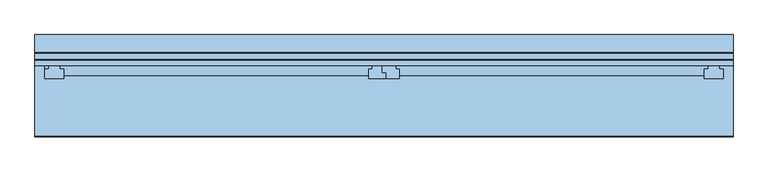
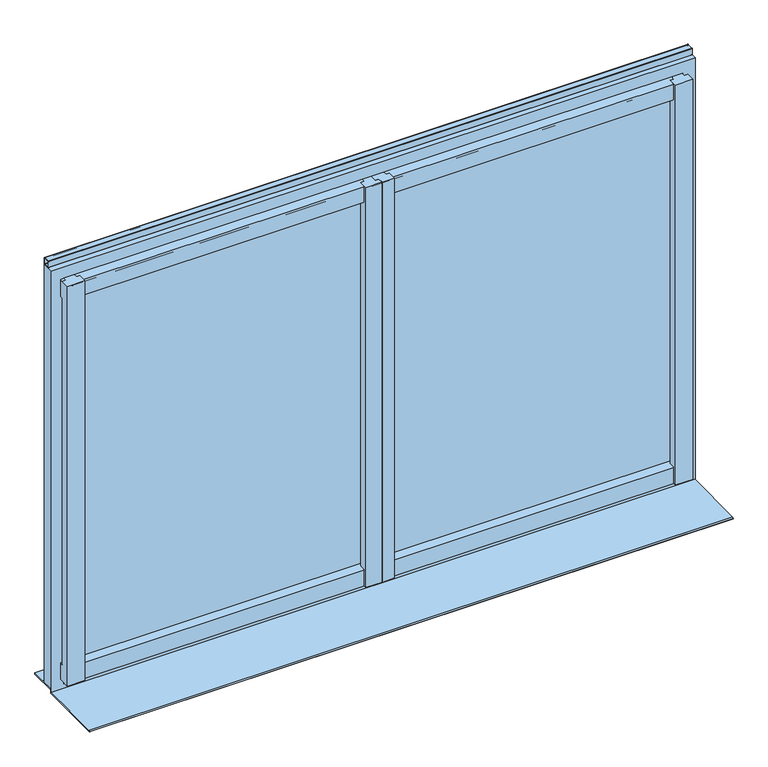
"""IFC4 building model written with IfcOpenShell, lengths in millimetres: window geometry."""

from ifc_helpers import new_model, si_unit, point, frame, frame_2d, origin, place, context, project, spatial, polyline, circle_curve, trimmed, segment, composite_curve, outline, extrude, faceted_brep, source, transform, mapped, element, save


def window_3d9dac49(model_context):
    return source(origin(), model_context, "Body", "SolidModel", [
        extrude(outline(composite_curve([segment(polyline([(-4968.9639151, 5209.32), (-4950.9639151, 5209.32)]), True, "CONTINUOUS"), segment(trimmed(circle_curve(frame_2d((-4950.9639151, 5208.32)), 1.0), [point((-4950.9639151, 5209.32))], [point((-4949.9639151, 5208.32))], False, "CARTESIAN"), True, "CONTINUOUS"), segment(polyline([(-4949.9639151, 5208.32), (-4949.9639151, 5190.32)]), True, "CONTINUOUS"), segment(trimmed(circle_curve(frame_2d((-4950.9639151, 5190.32)), 1.0), [point((-4949.9639151, 5190.32))], [point((-4950.9639151, 5189.32))], False, "CARTESIAN"), True, "CONTINUOUS"), segment(polyline([(-4950.9639151, 5189.32), (-4968.9639151, 5189.32)]), True, "CONTINUOUS"), segment(trimmed(circle_curve(frame_2d((-4968.9639151, 5190.32)), 1.0), [point((-4968.9639151, 5189.32))], [point((-4969.9639151, 5190.32))], False, "CARTESIAN"), True, "CONTINUOUS"), segment(polyline([(-4969.9639151, 5190.32), (-4969.9639151, 5208.32)]), True, "CONTINUOUS"), segment(trimmed(circle_curve(frame_2d((-4968.9639151, 5208.32)), 1.0), [point((-4969.9639151, 5208.32))], [point((-4968.9639151, 5209.32))], False, "CARTESIAN"), True, "CONTINUOUS")], self_intersect=False), holes=[composite_curve([segment(trimmed(circle_curve(frame_2d((-4966.9639151, 5206.32)), 1.0), [point((-4966.9639151, 5207.32))], [point((-4967.9639151, 5206.32))], True, "CARTESIAN"), True, "CONTINUOUS"), segment(polyline([(-4967.9639151, 5206.32), (-4967.9639151, 5192.32)]), True, "CONTINUOUS"), segment(trimmed(circle_curve(frame_2d((-4966.9639151, 5192.32)), 1.0), [point((-4967.9639151, 5192.32))], [point((-4966.9639151, 5191.32))], True, "CARTESIAN"), True, "CONTINUOUS"), segment(polyline([(-4966.9639151, 5191.32), (-4952.9639151, 5191.32)]), True, "CONTINUOUS"), segment(trimmed(circle_curve(frame_2d((-4952.9639151, 5192.32)), 1.0), [point((-4952.9639151, 5191.32))], [point((-4951.9639151, 5192.32))], True, "CARTESIAN"), True, "CONTINUOUS"), segment(polyline([(-4951.9639151, 5192.32), (-4951.9639151, 5206.32)]), True, "CONTINUOUS"), segment(trimmed(circle_curve(frame_2d((-4952.9639151, 5206.32)), 1.0), [point((-4951.9639151, 5206.32))], [point((-4952.9639151, 5207.32))], True, "CARTESIAN"), True, "CONTINUOUS"), segment(polyline([(-4952.9639151, 5207.32), (-4966.9639151, 5207.32)]), True, "CONTINUOUS")], self_intersect=False)]), frame((-14372.9804271, 0.0, 0.0), z_axis=(1.0, 0.0, 0.0), x_axis=(0.0, 1.0, 0.0)), (0.0, 0.0, 1.0), 1840.0),
        faceted_brep([(-14346.9804271, -4969.9639151, 5164.32), (-14346.9804271, -4980.9639151, 5164.32), (-12568.9804271, -4980.9639151, 5164.32), (-12568.9804271, -4969.9639151, 5164.32), (-14346.9804271, -4980.9639151, 5154.32), (-14336.9804271, -4980.9639151, 5154.32), (-14306.9804271, -4980.9639151, 5154.32), (-13483.4804271, -4980.9639151, 5154.32), (-13458.4804271, -4980.9639151, 5154.32), (-13457.4804271, -4980.9639151, 5154.32), (-13422.4804271, -4980.9639151, 5154.32), (-12598.9804271, -4980.9639151, 5154.32), (-12568.9804271, -4980.9639151, 5154.32), (-14346.9804271, -4993.9639151, 5152.9751724), (-14336.9804271, -4993.9639151, 5152.9751724), (-14306.9804271, -4993.9381503, 5152.9778377), (-14296.9804271, -4993.9381503, 5152.9778377), (-14296.9804271, -5009.9639151, 5151.32), (-13493.4804271, -5009.9639151, 5151.32), (-13493.4804271, -4993.9381503, 5152.9778377), (-13483.4804271, -4993.9381503, 5152.9778377), (-13458.4804271, -5003.9381503, 5151.943355), (-13448.4804271, -5003.9381503, 5151.943355), (-13448.4804271, -5009.9639151, 5151.32), (-13447.4804271, -5009.9639151, 5151.32), (-13447.4804271, -5002.9123855, 5152.0494686), (-13457.4804271, -5002.9123855, 5152.0494686), (-13422.4804271, -4993.9381503, 5152.9778377), (-13412.4804271, -4993.9381503, 5152.9778377), (-13412.4804271, -5009.9639151, 5151.32), (-12608.9804271, -5009.9639151, 5151.32), (-12608.9804271, -4993.9381503, 5152.9778377), (-12598.9804271, -4993.9381503, 5152.9778377), (-13412.4804271, -5009.9639151, 5104.32), (-12608.9804271, -5009.9639151, 5104.32), (-13448.4804271, -5009.9639151, 5104.32), (-13447.4804271, -5009.9639151, 5104.32), (-14296.9804271, -5009.9639151, 5104.32), (-13493.4804271, -5009.9639151, 5104.32), (-14346.9804271, -4993.9639151, 5104.32), (-14346.9804271, -4983.9639151, 5104.32), (-14336.9804271, -4983.9639151, 5104.32), (-14336.9804271, -4993.9639151, 5104.32), (-13412.4804271, -4993.9381503, 5104.32), (-13422.4804271, -4993.9381503, 5104.32), (-13422.4804271, -4983.9639151, 5104.32), (-12598.9804271, -4983.9639151, 5104.32), (-12598.9804271, -4993.9381503, 5104.32), (-12608.9804271, -4993.9381503, 5104.32), (-13448.4804271, -5003.9381503, 5104.32), (-13458.4804271, -5003.9381503, 5104.32), (-13458.4804271, -4983.9639151, 5104.32), (-13457.4804271, -4983.9639151, 5104.32), (-13457.4804271, -5002.9123855, 5104.32), (-13447.4804271, -5002.9123855, 5104.32), (-14296.9804271, -4993.9381503, 5104.32), (-14306.9804271, -4993.9381503, 5104.32), (-14306.9804271, -4983.9639151, 5104.32), (-13483.4804271, -4983.9639151, 5104.32), (-13483.4804271, -4993.9381503, 5104.32), (-13493.4804271, -4993.9381503, 5104.32), (-14346.9804271, -4983.9639151, 5114.32), (-14336.9804271, -4983.9639151, 5114.32), (-13422.4804271, -4983.9639151, 5114.32), (-12598.9804271, -4983.9639151, 5114.32), (-13458.4804271, -4983.9639151, 5114.32), (-13457.4804271, -4983.9639151, 5114.32), (-14306.9804271, -4983.9639151, 5114.32), (-13483.4804271, -4983.9639151, 5114.32), (-14346.9804271, -4969.9639151, 5114.32), (-12568.9804271, -4969.9639151, 5114.32), (-12568.9804271, -4978.9639151, 5114.32), (-12598.9804271, -4978.9639151, 5114.32), (-13422.4804271, -4978.9639151, 5114.32), (-13457.4804271, -4978.9639151, 5114.32), (-13458.4804271, -4978.9639151, 5114.32), (-13483.4804271, -4978.9639151, 5114.32), (-14306.9804271, -4978.9639151, 5114.32), (-14336.9804271, -4978.9639151, 5114.32), (-14346.9804271, -4983.9639151, 3994.7393506), (-14346.9804271, -4993.9639151, 3993.9701198), (-14336.9804271, -4993.9639151, 3993.9701198), (-14336.9804271, -4983.9639151, 3994.7393506), (-12598.9804271, -4983.9639151, 3994.7393506), (-13422.4804271, -4983.9639151, 3994.7393506), (-13422.4804271, -4993.9381503, 3993.9721017), (-13412.4804271, -4993.9381503, 3993.9721017), (-13412.4804271, -5009.9639151, 3992.7393506), (-12608.9804271, -5009.9639151, 3992.7393506), (-12608.9804271, -4993.9381503, 3993.9721017), (-12598.9804271, -4993.9381503, 3993.9721017), (-13457.4804271, -4983.9639151, 3994.7393506), (-13458.4804271, -4983.9639151, 3994.7393506), (-13458.4804271, -5003.9381503, 3993.2028709), (-13448.4804271, -5003.9381503, 3993.2028709), (-13448.4804271, -5009.9639151, 3992.7393506), (-13447.4804271, -5009.9639151, 3992.7393506), (-13447.4804271, -5002.9123855, 3993.2817759), (-13457.4804271, -5002.9123855, 3993.2817759), (-13483.4804271, -4983.9639151, 3994.7393506), (-14306.9804271, -4983.9639151, 3994.7393506), (-14306.9804271, -4993.9381503, 3993.9721017), (-14296.9804271, -4993.9381503, 3993.9721017), (-14296.9804271, -5009.9639151, 3992.7393506), (-13493.4804271, -5009.9639151, 3992.7393506), (-13493.4804271, -4993.9381503, 3993.9721017), (-13483.4804271, -4993.9381503, 3993.9721017), (-13412.4804271, -5009.9639151, 3944.7393506), (-12608.9804271, -5009.9639151, 3944.7393506), (-13448.4804271, -5009.9639151, 3944.7393506), (-13447.4804271, -5009.9639151, 3944.7393506), (-14296.9804271, -5009.9639151, 3944.7393506), (-13493.4804271, -5009.9639151, 3944.7393506), (-14346.9804271, -4984.9639151, 3944.7393506), (-14346.9804271, -4984.9639151, 3954.7393506), (-14336.9804271, -4984.9639151, 3954.7393506), (-14336.9804271, -4984.9639151, 3944.7393506), (-13483.4804271, -4984.9639151, 3944.7393506), (-14306.9804271, -4984.9639151, 3944.7393506), (-14306.9804271, -4984.9639151, 3954.7393506), (-13483.4804271, -4984.9639151, 3954.7393506), (-13457.4804271, -4984.9639151, 3944.7393506), (-13458.4804271, -4984.9639151, 3944.7393506), (-13458.4804271, -4984.9639151, 3954.7393506), (-13457.4804271, -4984.9639151, 3954.7393506), (-12598.9804271, -4984.9639151, 3944.7393506), (-13422.4804271, -4984.9639151, 3944.7393506), (-13422.4804271, -4984.9639151, 3954.7393506), (-12598.9804271, -4984.9639151, 3954.7393506), (-14346.9804271, -4969.9639151, 3954.7393506), (-12568.9804271, -4969.9639151, 3954.7393506), (-12568.9804271, -4978.9639151, 3954.7393506), (-12598.9804271, -4978.9639151, 3954.7393506), (-13422.4804271, -4978.9639151, 3954.7393506), (-13457.4804271, -4978.9639151, 3954.7393506), (-13458.4804271, -4978.9639151, 3954.7393506), (-13483.4804271, -4978.9639151, 3954.7393506), (-14306.9804271, -4978.9639151, 3954.7393506), (-14336.9804271, -4978.9639151, 3954.7393506), (-14346.9804271, -4969.9639151, 3984.7393506), (-12568.9804271, -4969.9639151, 3984.7393506), (-14346.9804271, -4983.9639151, 3984.7393506), (-14336.9804271, -4983.9639151, 3984.7393506), (-14336.9804271, -4978.9639151, 3984.7393506), (-14306.9804271, -4978.9639151, 3984.7393506), (-14306.9804271, -4983.9639151, 3984.7393506), (-13483.4804271, -4983.9639151, 3984.7393506), (-13483.4804271, -4978.9639151, 3984.7393506), (-13458.4804271, -4978.9639151, 3984.7393506), (-13458.4804271, -4983.9639151, 3984.7393506), (-13457.4804271, -4983.9639151, 3984.7393506), (-13457.4804271, -4978.9639151, 3984.7393506), (-13422.4804271, -4978.9639151, 3984.7393506), (-13422.4804271, -4983.9639151, 3984.7393506), (-12598.9804271, -4983.9639151, 3984.7393506), (-12598.9804271, -4978.9639151, 3984.7393506), (-12568.9804271, -4978.9639151, 3984.7393506), (-12558.9804271, -4993.9639151, 5154.32), (-12568.9804271, -4993.9639151, 5154.32), (-12598.9804271, -4993.9381503, 5154.32), (-12608.9804271, -4993.9381503, 5154.32), (-12608.9804271, -5018.9639151, 5154.32), (-12558.9804271, -5018.9639151, 5154.32), (-13457.4804271, -5002.9123855, 5154.32), (-13447.4804271, -5002.9123855, 5154.32), (-13447.4804271, -5018.9639151, 5154.32), (-13412.4804271, -5018.9639151, 5154.32), (-13412.4804271, -4993.9381503, 5154.32), (-13422.4804271, -4993.9381503, 5154.32), (-13448.4804271, -5018.9639151, 5154.32), (-13448.4804271, -5003.9381503, 5154.32), (-13458.4804271, -5003.9381503, 5154.32), (-13483.4804271, -4993.9381503, 5154.32), (-13493.4804271, -4993.9381503, 5154.32), (-13493.4804271, -5018.9639151, 5154.32), (-14346.9804271, -4993.9639151, 5154.32), (-14346.9804271, -5018.9639151, 5154.32), (-14296.9804271, -5018.9639151, 5154.32), (-14296.9804271, -4993.9381503, 5154.32), (-14306.9804271, -4993.9381503, 5154.32), (-14336.9804271, -4993.9639151, 5154.32), (-12558.9804271, -4993.9639151, 3944.7393506), (-12558.9804271, -5018.9639151, 3944.7393506), (-12608.9804271, -5018.9639151, 3944.7393506), (-13412.4804271, -5018.9639151, 3944.7393506), (-13447.4804271, -5018.9639151, 3944.7393506), (-13448.4804271, -5018.9639151, 3944.7393506), (-13493.4804271, -5018.9639151, 3944.7393506), (-14296.9804271, -5018.9639151, 3944.7393506), (-14346.9804271, -5018.9639151, 3944.7393506), (-14336.9804271, -4978.9639151, 3944.7393506), (-14306.9804271, -4978.9639151, 3944.7393506), (-13483.4804271, -4978.9639151, 3944.7393506), (-13458.4804271, -4978.9639151, 3944.7393506), (-13457.4804271, -4978.9639151, 3944.7393506), (-13422.4804271, -4978.9639151, 3944.7393506), (-12598.9804271, -4978.9639151, 3944.7393506), (-12568.9804271, -4978.9639151, 3944.7393506), (-12568.9804271, -4993.9639151, 3944.7393506)], [[[0, 1, 2, 3]], [[1, 4, 5, 6, 7, 8, 9, 10, 11, 12, 2]], [[5, 4, 13, 14]], [[7, 6, 15, 16, 17, 18, 19, 20]], [[9, 8, 21, 22, 23, 24, 25, 26]], [[11, 10, 27, 28, 29, 30, 31, 32]], [[30, 29, 33, 34]], [[24, 23, 35, 36]], [[18, 17, 37, 38]], [[39, 40, 41, 42]], [[34, 33, 43, 44, 45, 46, 47, 48]], [[36, 35, 49, 50, 51, 52, 53, 54]], [[38, 37, 55, 56, 57, 58, 59, 60]], [[40, 61, 62, 41]], [[46, 45, 63, 64]], [[52, 51, 65, 66]], [[58, 57, 67, 68]], [[61, 69, 70, 71, 72, 64, 63, 73, 74, 66, 65, 75, 76, 68, 67, 77, 78, 62]], [[69, 0, 3, 70]], [[79, 80, 81, 82]], [[83, 84, 85, 86, 87, 88, 89, 90]], [[91, 92, 93, 94, 95, 96, 97, 98]], [[99, 100, 101, 102, 103, 104, 105, 106]], [[107, 108, 88, 87]], [[109, 110, 96, 95]], [[111, 112, 104, 103]], [[113, 114, 115, 116]], [[117, 118, 119, 120]], [[121, 122, 123, 124]], [[125, 126, 127, 128]], [[114, 129, 130, 131, 132, 128, 127, 133, 134, 124, 123, 135, 136, 120, 119, 137, 138, 115]], [[129, 139, 140, 130]], [[139, 141, 142, 143, 144, 145, 146, 147, 148, 149, 150, 151, 152, 153, 154, 155, 156, 140]], [[141, 79, 82, 142]], [[84, 83, 154, 153]], [[92, 91, 150, 149]], [[100, 99, 146, 145]], [[157, 158, 12, 11, 159, 160, 161, 162]], [[163, 164, 165, 166, 167, 168, 10, 9]], [[169, 170, 171, 8, 7, 172, 173, 174]], [[175, 176, 177, 178, 179, 6, 5, 180]], [[181, 182, 183, 108, 107, 184, 185, 110, 109, 186, 187, 112, 111, 188, 189, 113, 116, 190, 191, 118, 117, 192, 193, 122, 121, 194, 195, 126, 125, 196, 197, 198]], [[198, 158, 157, 181]], [[12, 158, 198, 197, 131, 130, 140, 156, 71, 70, 3, 2]], [[197, 196, 132, 131]], [[71, 156, 155, 72]], [[159, 11, 32]], [[196, 125, 128, 132]], [[72, 155, 154, 83, 90, 47, 46, 64]], [[160, 159, 32, 31]], [[47, 90, 89, 48]], [[161, 160, 31, 30, 34, 48, 89, 88, 108, 183]], [[162, 161, 183, 182]], [[157, 162, 182, 181]], [[195, 194, 134, 133]], [[73, 152, 151, 74]], [[163, 9, 26]], [[194, 121, 124, 134]], [[74, 151, 150, 91, 98, 53, 52, 66]], [[164, 163, 26, 25]], [[53, 98, 97, 54]], [[165, 164, 25, 24, 36, 54, 97, 96, 110, 185]], [[166, 165, 185, 184]], [[167, 166, 184, 107, 87, 86, 43, 33, 29, 28]], [[168, 167, 28, 27]], [[43, 86, 85, 44]], [[10, 168, 27]], [[126, 195, 133, 127]], [[152, 73, 63, 45, 44, 85, 84, 153]], [[170, 169, 186, 109, 95, 94, 49, 35, 23, 22]], [[171, 170, 22, 21]], [[49, 94, 93, 50]], [[8, 171, 21]], [[122, 193, 135, 123]], [[50, 93, 92, 149, 148, 75, 65, 51]], [[193, 192, 136, 135]], [[75, 148, 147, 76]], [[172, 7, 20]], [[192, 117, 120, 136]], [[76, 147, 146, 99, 106, 59, 58, 68]], [[173, 172, 20, 19]], [[59, 106, 105, 60]], [[174, 173, 19, 18, 38, 60, 105, 104, 112, 187]], [[169, 174, 187, 186]], [[176, 175, 13, 4, 1, 0, 69, 61, 40, 39, 80, 79, 141, 139, 129, 114, 113, 189]], [[177, 176, 189, 188]], [[178, 177, 188, 111, 103, 102, 55, 37, 17, 16]], [[179, 178, 16, 15]], [[55, 102, 101, 56]], [[6, 179, 15]], [[118, 191, 137, 119]], [[56, 101, 100, 145, 144, 77, 67, 57]], [[191, 190, 138, 137]], [[77, 144, 143, 78]], [[180, 5, 14]], [[190, 116, 115, 138]], [[78, 143, 142, 82, 81, 42, 41, 62]], [[175, 180, 14, 13]], [[80, 39, 42, 81]]]),
        faceted_brep([(-12567.9804271, -4984.4639151, 5154.82), (-14337.9804271, -4984.4639151, 5154.82), (-14337.9804271, -4981.9639151, 5154.82), (-14369.9804271, -4981.9639151, 5154.82), (-14369.9804271, -4981.4639151, 5154.82), (-12535.9804271, -4981.4639151, 5154.82), (-12535.9804271, -4981.9639151, 5154.82), (-12567.9804271, -4981.9639151, 5154.82), (-14369.9804271, -4981.4639151, 5186.32), (-12535.9804271, -4981.4639151, 5186.32), (-14369.9804271, -4949.9639151, 5186.32), (-12535.9804271, -4949.9639151, 5186.32), (-12532.9804271, -4949.9639151, 5189.32), (-14372.9804271, -4949.9639151, 5189.32), (-14372.9804271, -4984.4639151, 5189.32), (-12532.9804271, -4984.4639151, 5189.32), (-14337.9804271, -4984.4639151, 3927.7393506), (-14337.9804271, -4981.9639151, 3927.7393506), (-14369.9804271, -4981.9639151, 3927.7393506), (-14369.9804271, -4974.9639151, 3954.2393506), (-14369.9804271, -4952.9639151, 3954.2393506), (-14369.9804271, -4952.9639151, 3959.2393506), (-14369.9804271, -4949.9639151, 3959.2393506), (-14369.9804271, -4952.9639151, 3927.7393506), (-14369.9804271, -4952.9639151, 3951.2393506), (-14369.9804271, -4974.9639151, 3951.2393506), (-12535.9804271, -4952.9639151, 3954.2393506), (-12535.9804271, -4974.9639151, 3954.2393506), (-12535.9804271, -4974.9639151, 3951.2393506), (-12535.9804271, -4952.9639151, 3951.2393506), (-12535.9804271, -4952.9639151, 3927.7393506), (-12535.9804271, -4981.9639151, 3927.7393506), (-12535.9804271, -4949.9639151, 3959.2393506), (-12535.9804271, -4952.9639151, 3959.2393506), (-12567.9804271, -4981.9639151, 3927.7393506), (-12567.9804271, -4984.4639151, 3927.7393506), (-14372.9804271, -4949.9639151, 3924.5631649), (-14372.9804271, -4981.4639151, 3924.5631649), (-14372.9804271, -4981.4639151, 3915.2207232), (-14372.9804271, -4984.4639151, 3915.1907232), (-12532.9804271, -4984.4639151, 3915.1907232), (-12532.9804271, -4981.4639151, 3915.2207232), (-12532.9804271, -4981.4639151, 3924.5631649), (-12532.9804271, -4949.9639151, 3924.5631649)], [[[0, 1, 2, 3, 4, 5, 6, 7]], [[5, 4, 8, 9]], [[10, 11, 9, 8]], [[12, 13, 14, 15]], [[16, 17, 2, 1]], [[17, 18, 3, 2]], [[19, 20, 21, 22, 10, 8, 4, 3, 18, 23, 24, 25]], [[26, 27, 28, 29, 30, 31, 6, 5, 9, 11, 32, 33]], [[31, 34, 7, 6]], [[34, 35, 0, 7]], [[13, 36, 37, 38, 39, 14]], [[15, 40, 41, 42, 43, 12]], [[26, 20, 19, 27]], [[27, 19, 25, 28]], [[28, 25, 24, 29]], [[29, 24, 23, 30]], [[30, 23, 18, 17, 16, 35, 34, 31]], [[39, 40, 15, 14], [16, 1, 0, 35]], [[39, 38, 41, 40]], [[38, 37, 42, 41]], [[37, 36, 43, 42]], [[43, 36, 13, 12], [32, 11, 10, 22]], [[32, 22, 21, 33]], [[20, 26, 33, 21]]]),
        extrude(outline(composite_curve([segment(polyline([(-4979.9639151, 3984.7393506), (-4979.9639151, 3994.7393506), (-4971.9629757, 3994.7393506)]), True, "CONTINUOUS"), segment(trimmed(circle_curve(frame_2d((-4971.9629757, 3992.7393506)), 2.0), [point((-4971.9629757, 3994.7393506))], [point((-4969.9639151, 3992.6780575))], False, "CARTESIAN"), True, "CONTINUOUS"), segment(polyline([(-4969.9639151, 3992.6780575), (-4969.9639151, 3986.6780575)]), True, "CONTINUOUS"), segment(trimmed(circle_curve(frame_2d((-4971.9629757, 3986.7393506)), 2.0), [point((-4969.9639151, 3986.6780575))], [point((-4971.9629757, 3984.7393506))], False, "CARTESIAN"), True, "CONTINUOUS"), segment(polyline([(-4971.9629757, 3984.7393506), (-4979.9639151, 3984.7393506)]), True, "CONTINUOUS")], self_intersect=False)), frame((-14306.9804271, 0.0, 0.0), z_axis=(1.0, 0.0, 0.0), x_axis=(0.0, 1.0, 0.0)), (0.0, 0.0, 1.0), 1708.0),
        extrude(outline(composite_curve([segment(polyline([(-4979.9639151, 5114.32), (-4971.9629757, 5114.32)]), True, "CONTINUOUS"), segment(trimmed(circle_curve(frame_2d((-4971.9629757, 5112.32)), 2.0), [point((-4971.9629757, 5114.32))], [point((-4969.9639151, 5112.3812931))], False, "CARTESIAN"), True, "CONTINUOUS"), segment(polyline([(-4969.9639151, 5112.3812931), (-4969.9639151, 5106.3812931)]), True, "CONTINUOUS"), segment(trimmed(circle_curve(frame_2d((-4971.9629757, 5106.32)), 2.0), [point((-4969.9639151, 5106.3812931))], [point((-4971.9629757, 5104.32))], False, "CARTESIAN"), True, "CONTINUOUS"), segment(polyline([(-4971.9629757, 5104.32), (-4979.9639151, 5104.32), (-4979.9639151, 5114.32)]), True, "CONTINUOUS")], self_intersect=False)), frame((-14306.9804271, 0.0, 0.0), z_axis=(1.0, 0.0, 0.0), x_axis=(0.0, 1.0, 0.0)), (0.0, 0.0, 1.0), 1708.0),
        extrude(outline(polyline([(-12532.9804271, -4902.9639151), (-12532.9804271, -4980.9639151), (-14372.9804271, -4980.9639151), (-14372.9804271, -4902.9639151), (-12532.9804271, -4902.9639151)])), frame((0.0, 0.0, 3919.5659965), z_axis=(0.0, 0.0, 1.0), x_axis=(1.0, 0.0, 0.0)), (0.0, 0.0, 1.0), 4.9971684),
        extrude(outline(composite_curve([segment(polyline([(-4981.4639151, 3914.99215), (-4981.4639151, 3909.32), (-5172.9639151, 3909.32), (-5172.9639151, 3910.107)]), True, "CONTINUOUS"), segment(trimmed(circle_curve(frame_2d((-5169.9639151, 3910.107)), 3.0), [point((-5172.9639151, 3910.107))], [point((-5169.9939136, 3913.10685))], False, "CARTESIAN"), True, "CONTINUOUS"), segment(polyline([(-5169.9939136, 3913.10685), (-4981.4639151, 3914.99215)]), True, "CONTINUOUS")], self_intersect=False)), frame((-14372.9804271, 0.0, 0.0), z_axis=(1.0, 0.0, 0.0), x_axis=(0.0, 1.0, 0.0)), (0.0, 0.0, 1.0), 1840.0),
        extrude(outline(polyline([(-12568.9804271, -4979.9639151), (-12568.9804271, -4983.9639151), (-14336.9804271, -4983.9639151), (-14336.9804271, -4979.9639151), (-12568.9804271, -4979.9639151)])), frame((0.0, 0.0, 3986.7393506), z_axis=(0.0, 0.0, 1.0), x_axis=(1.0, 0.0, 0.0)), (0.0, 0.0, 1.0), 1125.5806494),
    ])


if __name__ == "__main__":
    model = new_model("IFC4")
    model_context = context("Model", 3, world=origin())
    ifc_project = project(units=[si_unit("LENGTHUNIT", "METRE", prefix="MILLI")], contexts=[model_context])
    site = spatial("IfcSite", under=ifc_project)
    building = spatial("IfcBuilding", under=site)
    placement = place(None, origin())
    window_shape = window_3d9dac49(model_context)
    element("IfcWindow", 1, at=placement, inside=building, context=model_context, shape_type="MappedRepresentation", body=[
        mapped(window_shape, transform((0.0, 0.0, 0.0), x_axis=(1.0, 0.0, 0.0), y_axis=(0.0, 1.0, 0.0), z_axis=(0.0, 0.0, 1.0))),
    ])
    save(model, "model.ifc")
